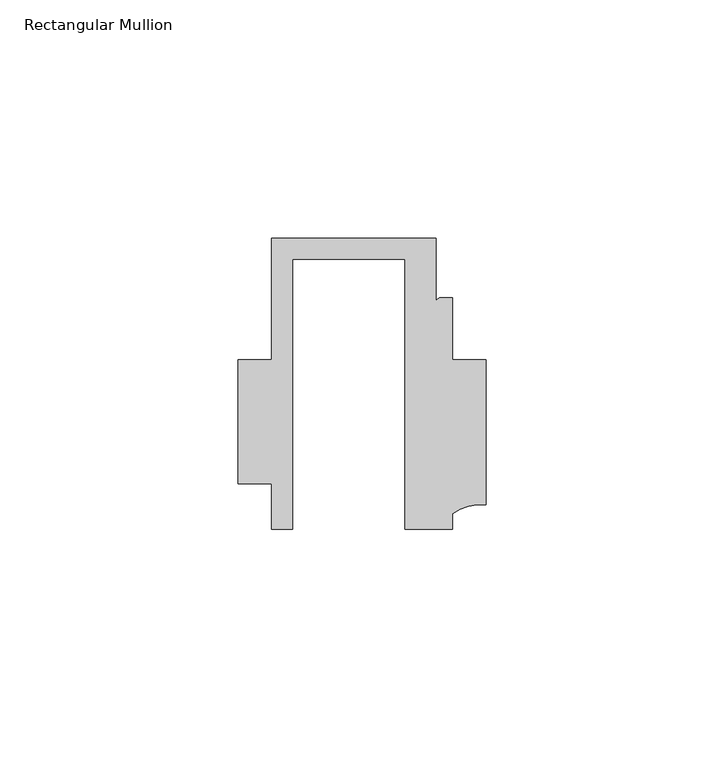
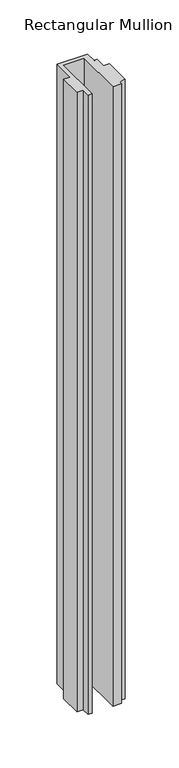
"""IFC4 building model written with IfcOpenShell, lengths in millimetres: member geometry, Rectangular Mullion."""

from ifc_helpers import new_model, si_unit, point, frame, frame_2d, origin, place, context, project, spatial, polyline, circle_curve, trimmed, segment, composite_curve, outline, extrude, source, transform, mapped, element, save


def rectangular_mullion_30a4d0fc(model_context):
    return source(origin(), model_context, "Body", "SweptSolid", [
        extrude(outline(composite_curve([segment(polyline([(-23.5999572, -20.5), (-28.0000482, -20.5), (-28.0000482, -10.9795682), (-34.9999873, -10.9795682), (-34.9999873, 15.001276), (-28.0000482, 15.001276), (-28.0000482, 40.499932), (6.5000029, 40.499932), (6.5000029, 27.0002131)]), True, "CONTINUOUS"), segment(trimmed(circle_curve(frame_2d((7.5000029, 27.0002131)), 1.0), [point((6.5000029, 27.0002131))], [point((7.5000029, 28.0002131))], False, "CARTESIAN"), True, "CONTINUOUS"), segment(polyline([(7.5000029, 28.0002131), (10.0000029, 28.0002131), (10.0000029, 15.0004617), (16.999942, 15.0004617), (16.999942, -15.3793686)]), True, "CONTINUOUS"), segment(trimmed(circle_curve(frame_2d((16.1098048, -25.7978024)), 10.4563907), [point((16.999942, -15.3793686))], [point((10.0000029, -17.3121423))], True, "CARTESIAN"), True, "CONTINUOUS"), segment(polyline([(10.0000029, -17.3121423), (10.0000029, -20.5), (0.0, -20.5), (0.0, 36.1008577), (-23.5999572, 36.1008577), (-23.5999572, -20.5)]), True, "CONTINUOUS")], self_intersect=False)), frame((0.0, 0.0, -742.0500913), z_axis=(0.0, 0.0, 1.0), x_axis=(1.0, 0.0, 0.0)), (0.0, 0.0, 1.0), 742.0500913),
    ])


if __name__ == "__main__":
    model = new_model("IFC4")
    model_context = context("Model", 3, world=origin())
    ifc_project = project(units=[si_unit("LENGTHUNIT", "METRE", prefix="MILLI")], contexts=[model_context])
    site = spatial("IfcSite", under=ifc_project)
    building = spatial("IfcBuilding", under=site)
    placement = place(None, origin())
    rectangular_mullion_shape = rectangular_mullion_30a4d0fc(model_context)
    element("IfcMember", 1, ObjectType="Rectangular Mullion", at=placement, inside=building, context=model_context, shape_type="MappedRepresentation", body=[
        mapped(rectangular_mullion_shape, transform((0.0, 0.0, 0.0), x_axis=(1.0, 0.0, 0.0), y_axis=(0.0, 1.0, 0.0), z_axis=(0.0, 0.0, 1.0))),
    ])
    save(model, "model.ifc")
